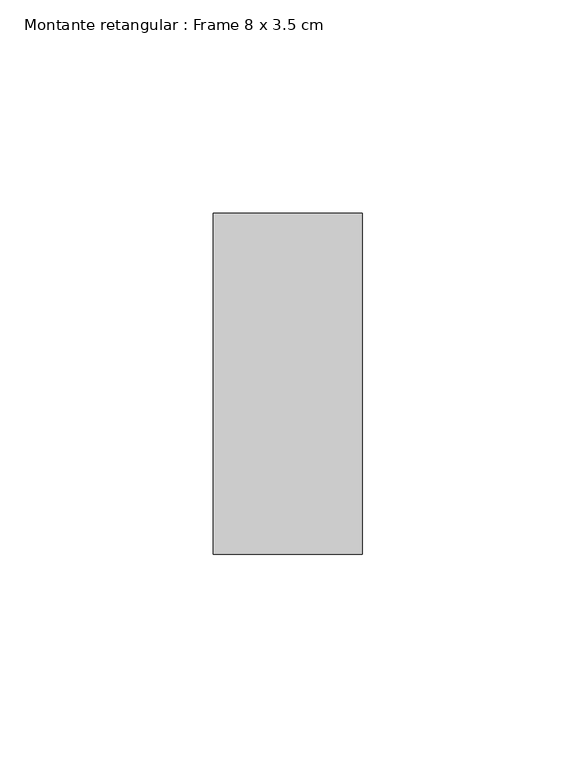
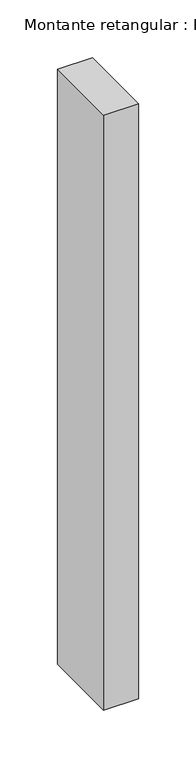
"""IFC4 building model written with IfcOpenShell, lengths in millimetres: member geometry, Montante retangular : Frame 8 x 3.5 cm."""

from ifc_helpers import new_model, si_unit, frame, origin, place, context, project, spatial, polyline, outline, extrude, source, transform, mapped, element, save


def montante_retangular_frame_8_x_3_5_cm_31771107(model_context):
    return source(origin(), model_context, "Body", "SweptSolid", [
        extrude(outline(polyline([(0.0, 40.0), (0.0, -40.0), (-35.0, -40.0), (-35.0, 40.0), (0.0, 40.0)])), frame((0.0, 0.0, -630.0), z_axis=(0.0, 0.0, 1.0), x_axis=(1.0, 0.0, 0.0)), (0.0, 0.0, 1.0), 630.0),
    ])


if __name__ == "__main__":
    model = new_model("IFC4")
    model_context = context("Model", 3, world=origin())
    ifc_project = project(units=[si_unit("LENGTHUNIT", "METRE", prefix="MILLI")], contexts=[model_context])
    site = spatial("IfcSite", under=ifc_project)
    building = spatial("IfcBuilding", under=site)
    placement = place(None, origin())
    montante_retangular_frame_8_x_3_5_cm_shape = montante_retangular_frame_8_x_3_5_cm_31771107(model_context)
    element("IfcMember", 1, ObjectType="Montante retangular : Frame 8 x 3.5 cm", at=placement, inside=building, context=model_context, shape_type="MappedRepresentation", body=[
        mapped(montante_retangular_frame_8_x_3_5_cm_shape, transform((0.0, 0.0, 0.0), x_axis=(1.0, 0.0, 0.0), y_axis=(0.0, 1.0, 0.0), z_axis=(0.0, 0.0, 1.0))),
    ])
    save(model, "model.ifc")
